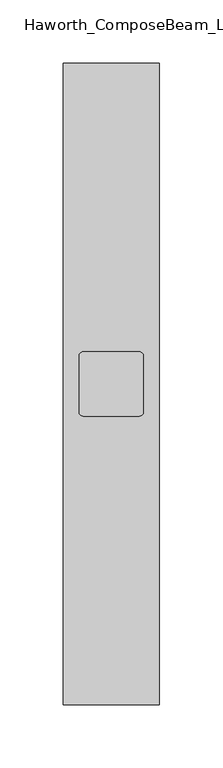
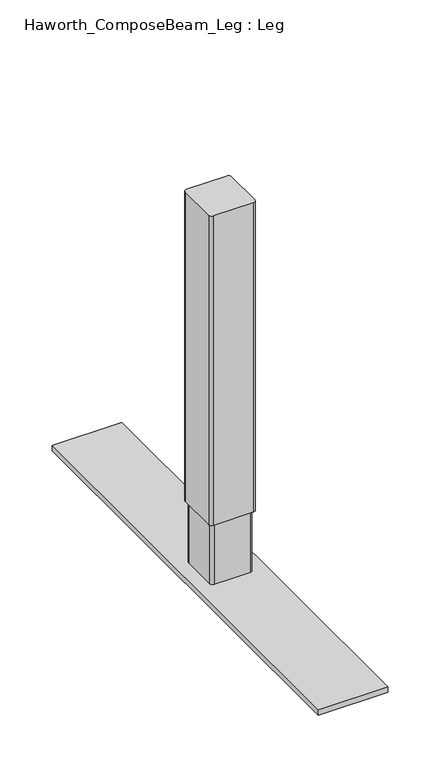
"""IFC4 building model written with IfcOpenShell, lengths in millimetres: furniture geometry, Haworth_ComposeBeam_Leg : Leg."""

from ifc_helpers import new_model, si_unit, point, frame, frame_2d, origin, origin_with_axes, place, context, project, spatial, polyline, circle_curve, trimmed, segment, composite_curve, outline, extrude, source, transform, mapped, element, save


def haworth_composebeam_leg_leg_2c43639d(model_context):
    return source(origin(), model_context, "Body", "SweptSolid", [
        extrude(outline(composite_curve([segment(polyline([(161.9249992, -47.3534841), (206.3749962, -47.3534841)]), True, "CONTINUOUS"), segment(trimmed(circle_curve(frame_2d((206.3749962, -50.5284841)), 3.175), [point((206.3749962, -47.3534841))], [point((209.5499962, -50.5284841))], False, "CARTESIAN"), True, "CONTINUOUS"), segment(polyline([(209.5499962, -50.5284841), (209.5499962, -94.9784822)]), True, "CONTINUOUS"), segment(trimmed(circle_curve(frame_2d((206.3749962, -94.9784822)), 3.175), [point((209.5499962, -94.9784822))], [point((206.3749962, -98.1534822))], False, "CARTESIAN"), True, "CONTINUOUS"), segment(polyline([(206.3749962, -98.1534822), (161.9249992, -98.1534822)]), True, "CONTINUOUS"), segment(trimmed(circle_curve(frame_2d((161.9249992, -94.9784822)), 3.175), [point((161.9249992, -98.1534822))], [point((158.7499992, -94.9784822))], False, "CARTESIAN"), True, "CONTINUOUS"), segment(polyline([(158.7499992, -94.9784822), (158.7499992, -50.5284841)]), True, "CONTINUOUS"), segment(trimmed(circle_curve(frame_2d((161.9249992, -50.5284841)), 3.175), [point((158.7499992, -50.5284841))], [point((161.9249992, -47.3534841))], False, "CARTESIAN"), True, "CONTINUOUS")], self_intersect=False)), frame((0.0, 0.0, 77.215999), z_axis=(0.0, 0.0, 1.0), x_axis=(1.0, 0.0, 0.0)), (0.0, 0.0, 1.0), 360.934001),
        extrude(outline(composite_curve([segment(polyline([(164.2109971, -49.6394819), (204.0889984, -49.6394819)]), True, "CONTINUOUS"), segment(trimmed(circle_curve(frame_2d((204.0889984, -52.8144819)), 3.175), [point((204.0889984, -49.6394819))], [point((207.2639984, -52.8144819))], False, "CARTESIAN"), True, "CONTINUOUS"), segment(polyline([(207.2639984, -52.8144819), (207.2639984, -92.6924821)]), True, "CONTINUOUS"), segment(trimmed(circle_curve(frame_2d((204.0889984, -92.6924821)), 3.175), [point((207.2639984, -92.6924821))], [point((204.0889984, -95.8674821))], False, "CARTESIAN"), True, "CONTINUOUS"), segment(polyline([(204.0889984, -95.8674821), (164.2109971, -95.8674821)]), True, "CONTINUOUS"), segment(trimmed(circle_curve(frame_2d((164.2109971, -92.6924821)), 3.175), [point((164.2109971, -95.8674821))], [point((161.0359971, -92.6924821))], False, "CARTESIAN"), True, "CONTINUOUS"), segment(polyline([(161.0359971, -92.6924821), (161.0359971, -52.8144819)]), True, "CONTINUOUS"), segment(trimmed(circle_curve(frame_2d((164.2109971, -52.8144819)), 3.175), [point((161.0359971, -52.8144819))], [point((164.2109971, -49.6394819))], False, "CARTESIAN"), True, "CONTINUOUS")], self_intersect=False)), frame((0.0, 0.0, 6.35), z_axis=(0.0, 0.0, 1.0), x_axis=(1.0, 0.0, 0.0)), (0.0, 0.0, 1.0), 153.415999),
        extrude(outline(polyline([(222.25, 181.2465234), (222.25, -326.7534766), (146.05, -326.7534766), (146.05, 181.2465234), (222.25, 181.2465234)])), origin_with_axes(), (0.0, 0.0, 1.0), 6.35),
    ])


if __name__ == "__main__":
    model = new_model("IFC4")
    model_context = context("Model", 3, world=origin())
    ifc_project = project(units=[si_unit("LENGTHUNIT", "METRE", prefix="MILLI")], contexts=[model_context])
    site = spatial("IfcSite", under=ifc_project)
    building = spatial("IfcBuilding", under=site)
    placement = place(None, origin())
    haworth_composebeam_leg_leg_shape = haworth_composebeam_leg_leg_2c43639d(model_context)
    element("IfcFurniture", 1, ObjectType="Haworth_ComposeBeam_Leg : Leg", at=placement, inside=building, context=model_context, shape_type="MappedRepresentation", body=[
        mapped(haworth_composebeam_leg_leg_shape, transform((0.0, 0.0, 0.0), x_axis=(1.0, 0.0, 0.0), y_axis=(0.0, 1.0, 0.0), z_axis=(0.0, 0.0, 1.0))),
    ])
    save(model, "model.ifc")
